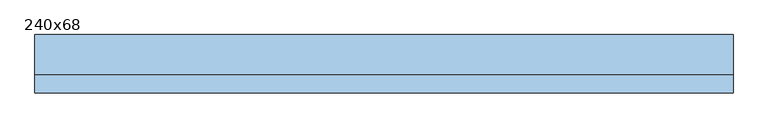
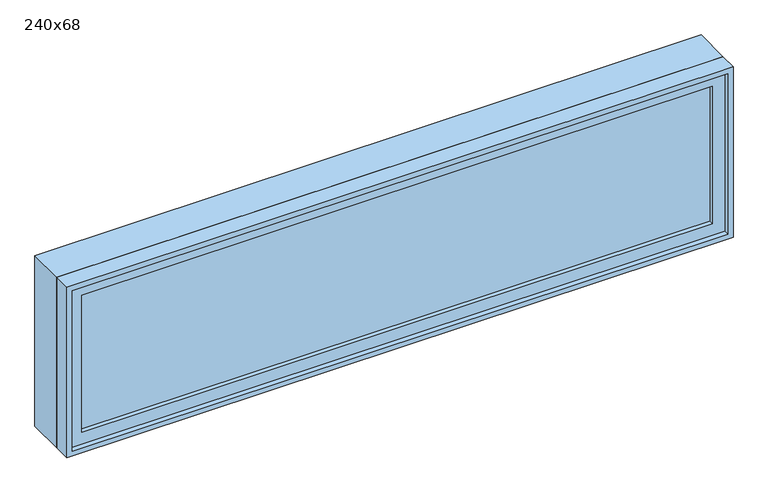
"""IFC4 building model written with IfcOpenShell, lengths in millimetres: window geometry, 240x68."""

from ifc_helpers import new_model, si_unit, frame, origin, place, context, project, spatial, polyline, outline, extrude, source, transform, mapped, element, save


def window_240x68_470a0383(model_context):
    return source(origin(), model_context, "Body", "SweptSolid", [
        extrude(outline(polyline([(1098.4, -52.375), (1098.4, -65.075), (-1174.6, -65.075), (-1174.6, -52.375), (1098.4, -52.375)])), frame((0.0, 0.0, 977.9), z_axis=(0.0, 0.0, 1.0), x_axis=(1.0, 0.0, 0.0)), (0.0, 0.0, 1.0), 523.0),
        extrude(outline(polyline([(1545.35, -1219.05), (933.45, -1219.05), (933.45, 1142.85), (1545.35, 1142.85), (1545.35, -1219.05)]), holes=[polyline([(1500.9, -1174.6), (1500.9, 1098.4), (977.9, 1098.4), (977.9, -1174.6), (1500.9, -1174.6)])]), frame((0.0, -80.95, 0.0), z_axis=(0.0, 1.0, 0.0), x_axis=(0.0, 0.0, 1.0)), (0.0, 0.0, 1.0), 44.45),
        extrude(outline(polyline([(1564.4, -1238.1), (914.4, -1238.1), (914.4, 1161.9), (1564.4, 1161.9), (1564.4, -1238.1)]), holes=[polyline([(1532.65, -1206.35), (1532.65, 1130.15), (946.15, 1130.15), (946.15, -1206.35), (1532.65, -1206.35)])]), frame((0.0, -36.5, 0.0), z_axis=(0.0, 1.0, 0.0), x_axis=(0.0, 0.0, 1.0)), (0.0, 0.0, 1.0), 136.5),
        extrude(outline(polyline([(1564.4, 1161.9), (1564.4, -1238.1), (914.4, -1238.1), (914.4, 1161.9), (1564.4, 1161.9)]), holes=[polyline([(1545.35, 1142.85), (933.45, 1142.85), (933.45, -1219.05), (1545.35, -1219.05), (1545.35, 1142.85)])]), frame((0.0, -100.0, 0.0), z_axis=(0.0, 1.0, 0.0), x_axis=(0.0, 0.0, 1.0)), (0.0, 0.0, 1.0), 63.5),
    ])


if __name__ == "__main__":
    model = new_model("IFC4")
    model_context = context("Model", 3, world=origin())
    ifc_project = project(units=[si_unit("LENGTHUNIT", "METRE", prefix="MILLI")], contexts=[model_context])
    site = spatial("IfcSite", under=ifc_project)
    building = spatial("IfcBuilding", under=site)
    placement = place(None, origin())
    window_240x68_shape = window_240x68_470a0383(model_context)
    element("IfcWindow", 1, ObjectType="240x68", at=placement, inside=building, context=model_context, shape_type="MappedRepresentation", body=[
        mapped(window_240x68_shape, transform((0.0, 0.0, 0.0), x_axis=(1.0, 0.0, 0.0), y_axis=(0.0, 1.0, 0.0), z_axis=(0.0, 0.0, 1.0))),
    ])
    save(model, "model.ifc")
